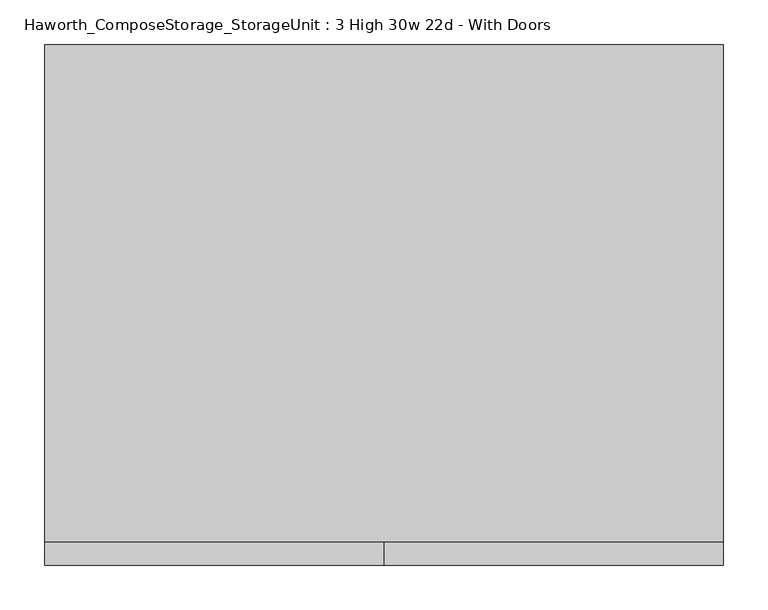
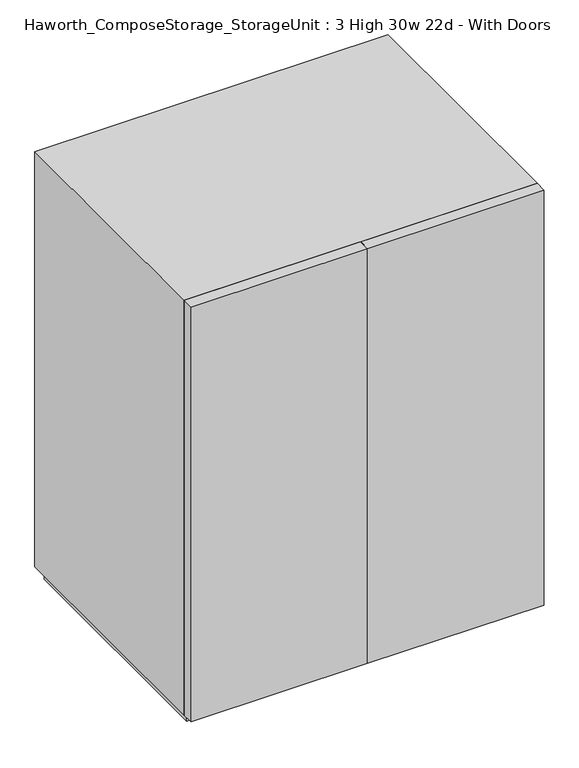
"""IFC4 building model written with IfcOpenShell, lengths in millimetres: furniture geometry, Haworth_ComposeStorage_StorageUnit : 3 High 30w 22d - With Doors."""

from ifc_helpers import new_model, si_unit, frame, origin, origin_with_axes, place, context, project, spatial, polyline, outline, extrude, source, transform, mapped, element, save


def haworth_composestorage_storageunit_3_high_30w_22d_with_doors_7cfa361c(model_context):
    return source(origin(), model_context, "Body", "SweptSolid", [
        extrude(outline(polyline([(361.9569453, 295.275), (361.9569453, -228.6), (-361.9291641, -228.6), (-361.9291641, 295.275), (361.9569453, 295.275)])), frame((0.0, 0.0, 652.9916667), z_axis=(0.0, 0.0, 1.0), x_axis=(1.0, 0.0, 0.0)), (0.0, 0.0, 1.0), 19.05),
        extrude(outline(polyline([(361.9569453, 295.275), (361.9569453, -228.6), (-361.9291641, -228.6), (-361.9291641, 295.275), (361.9569453, 295.275)])), frame((0.0, 0.0, 324.9083333), z_axis=(0.0, 0.0, 1.0), x_axis=(1.0, 0.0, 0.0)), (0.0, 0.0, 1.0), 19.05),
        extrude(outline(polyline([(0.0138906, -254.0), (0.0138906, -228.6), (381.0138906, -228.6), (381.0138906, -254.0), (0.0138906, -254.0)])), frame((0.0, 0.0, 25.4), z_axis=(0.0, 0.0, 1.0), x_axis=(1.0, 0.0, 0.0)), (0.0, 0.0, 1.0), 946.15),
        extrude(outline(polyline([(0.0138906, -254.0), (-380.9861094, -254.0), (-380.9861094, -228.6), (0.0138906, -228.6), (0.0138906, -254.0)])), frame((0.0, 0.0, 25.4), z_axis=(0.0, 0.0, 1.0), x_axis=(1.0, 0.0, 0.0)), (0.0, 0.0, 1.0), 946.15),
        extrude(outline(polyline([(25.4, -380.9861094), (25.4, 381.0138906), (971.55, 381.0138906), (971.55, -380.9861094), (25.4, -380.9861094)]), holes=[polyline([(44.45, -361.9361094), (952.5, -361.9361094), (952.5, 361.9569453), (44.45, 361.9569453), (44.45, -361.9361094)])]), frame((0.0, -228.6, 0.0), z_axis=(0.0, 1.0, 0.0), x_axis=(0.0, 0.0, 1.0)), (0.0, 0.0, 1.0), 558.8),
        extrude(outline(polyline([(-361.9291641, 295.275), (-361.9291641, 304.8), (361.9569453, 304.8), (361.9569453, 295.275), (-361.9291641, 295.275)])), frame((0.0, 0.0, 44.45), z_axis=(0.0, 0.0, 1.0), x_axis=(1.0, 0.0, 0.0)), (0.0, 0.0, 1.0), 908.05),
        extrude(outline(polyline([(368.3138906, -215.9), (-368.2861094, -215.9), (-368.2861094, 317.5), (368.3138906, 317.5), (368.3138906, -215.9)])), origin_with_axes(), (0.0, 0.0, 1.0), 25.4),
    ])


if __name__ == "__main__":
    model = new_model("IFC4")
    model_context = context("Model", 3, world=origin())
    ifc_project = project(units=[si_unit("LENGTHUNIT", "METRE", prefix="MILLI")], contexts=[model_context])
    site = spatial("IfcSite", under=ifc_project)
    building = spatial("IfcBuilding", under=site)
    placement = place(None, origin())
    haworth_composestorage_storageunit_3_high_30w_22d_with_doors_shape = haworth_composestorage_storageunit_3_high_30w_22d_with_doors_7cfa361c(model_context)
    element("IfcFurniture", 1, ObjectType="Haworth_ComposeStorage_StorageUnit : 3 High 30w 22d - With Doors", at=placement, inside=building, context=model_context, shape_type="MappedRepresentation", body=[
        mapped(haworth_composestorage_storageunit_3_high_30w_22d_with_doors_shape, transform((0.0, 0.0, 0.0), x_axis=(1.0, 0.0, 0.0), y_axis=(0.0, 1.0, 0.0), z_axis=(0.0, 0.0, 1.0))),
    ])
    save(model, "model.ifc")
